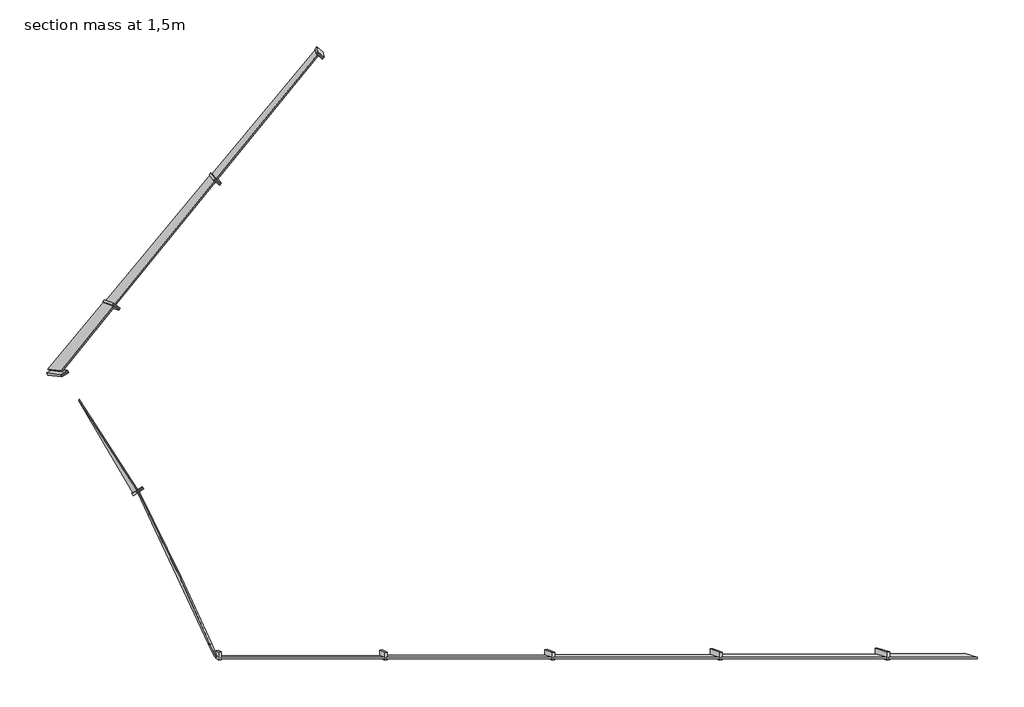
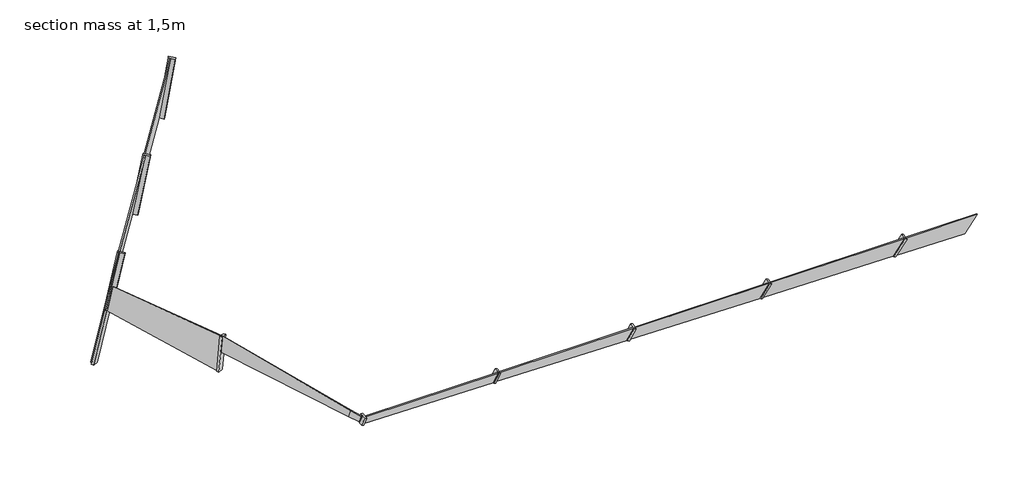
# One storey: 11 plates, 10 members.
"""IFC4 building model written with IfcOpenShell, lengths in millimetres."""

import ifcopenshell
import ifcopenshell.guid

model = None  # the IFC model being written
_history = None  # IfcOwnerHistory: only IFC2X3 demands one
_inside = {}  # id of a spatial element -> (the spatial element, [elements in it])
_under = {}  # id of a project, library or spatial element -> (it, [spatial elements below it])
_declared = {}  # id of a project -> (the project, [libraries it declares])
_typed = {}  # id of a type object -> (the type object, [elements of that type])
_made_of = {}  # id of a material, layer set ... -> (it, [elements and type objects made of it])


def new_model(schema):
    """Start an empty IFC model of exactly this schema.

    Asked for "IFC4X3", IfcOpenShell would pick the latest addendum, in which some entities
    have other attributes; the version numbers below select the first issue.
    IFC2X3 requires an IfcOwnerHistory on every rooted entity: one is made here for all.
    """
    global model, _history
    if schema == "IFC4X3":
        model = ifcopenshell.file(schema_version=(4, 3, 0, 0))
    else:
        model = ifcopenshell.file(schema=schema)
    _inside.clear()
    _under.clear()
    _declared.clear()
    _typed.clear()
    _made_of.clear()
    _history = None
    if model.schema == "IFC2X3":
        org = make("IfcOrganization", Name="unknown")
        user = make(
            "IfcPersonAndOrganization",
            ThePerson=make("IfcPerson", FamilyName="unknown"),
            TheOrganization=org,
        )
        app = make(
            "IfcApplication",
            ApplicationDeveloper=org,
            Version="unknown",
            ApplicationFullName="unknown",
            ApplicationIdentifier="unknown",
        )
        _history = make(
            "IfcOwnerHistory",
            OwningUser=user,
            OwningApplication=app,
            ChangeAction="ADDED",
            CreationDate=0,
        )
    return model


def make(cls, **values):
    """One entity of the class cls with the attributes given. An attribute that is None is left unset."""
    return model.create_entity(
        cls, **{name: value for name, value in values.items() if value is not None}
    )


def rooted(cls, **values):
    """An entity with a GlobalId (a new one), such as an element, a storey or a relation."""
    return make(cls, GlobalId=ifcopenshell.guid.new(), OwnerHistory=_history, **values)


def si_unit(unit_type, name, prefix=None):
    """IfcSIUnit, for example si_unit("LENGTHUNIT", "METRE", prefix="MILLI")."""
    return make("IfcSIUnit", UnitType=unit_type, Prefix=prefix, Name=name)


def assignment(units):
    """IfcUnitAssignment: the units of a project."""
    return None if units is None else make("IfcUnitAssignment", Units=units)


def point(xyz):
    """IfcCartesianPoint."""
    return None if xyz is None else make("IfcCartesianPoint", Coordinates=xyz)


def direction(xyz):
    """IfcDirection."""
    return None if xyz is None else make("IfcDirection", DirectionRatios=xyz)


def frame(location, z_axis=None, x_axis=None):
    """IfcAxis2Placement3D, a coordinate frame: its origin and axes. An axis left out is left unset."""
    return make(
        "IfcAxis2Placement3D",
        Location=point(location),
        Axis=direction(z_axis),
        RefDirection=direction(x_axis),
    )


def origin():
    """The frame at (0, 0, 0) with its axes left unset."""
    return frame((0.0, 0.0, 0.0))


def place(relative_to, where):
    """IfcLocalPlacement: puts the frame where relative to a parent placement (None: the world)."""
    return make(
        "IfcLocalPlacement", PlacementRelTo=relative_to, RelativePlacement=where
    )


def context(
    kind, dimensions, precision=None, world=None, true_north=None, identifier=None
):
    """IfcGeometricRepresentationContext, for example the 3D "Model" context."""
    return make(
        "IfcGeometricRepresentationContext",
        ContextIdentifier=identifier,
        ContextType=kind,
        CoordinateSpaceDimension=dimensions,
        Precision=precision,
        WorldCoordinateSystem=world,
        TrueNorth=true_north,
    )


def project(units=None, contexts=None):
    """IfcProject with its units and contexts."""
    return rooted(
        "IfcProject",
        Name="project",
        RepresentationContexts=contexts,
        UnitsInContext=assignment(units),
    )


def spatial(cls, under=None, at=None, **own):
    """A site, building, storey or space (cls), placed at a placement, below another one or the project."""
    s = rooted(cls, ObjectPlacement=at, **own)
    if under is not None:
        _under.setdefault(under.id(), (under, []))[1].append(s)
    return s


def polyline(points):
    """IfcPolyline through the points."""
    return make("IfcPolyline", Points=[point(p) for p in points])


def outline(outer, holes=None, kind="AREA"):
    """IfcArbitraryClosedProfileDef: a profile drawn as a closed curve; with holes, ...WithVoids."""
    if holes is None:
        return make("IfcArbitraryClosedProfileDef", ProfileType=kind, OuterCurve=outer)
    return make(
        "IfcArbitraryProfileDefWithVoids",
        ProfileType=kind,
        OuterCurve=outer,
        InnerCurves=holes,
    )


def extrude(swept, where, along, depth):
    """IfcExtrudedAreaSolid: the profile swept, set in the frame where, extruded along a direction by depth."""
    return make(
        "IfcExtrudedAreaSolid",
        SweptArea=swept,
        Position=where,
        ExtrudedDirection=direction(along),
        Depth=depth,
    )


def shape(context_of_items, identifier, shape_type, items):
    """IfcShapeRepresentation: the items that make up one representation, for example the "Body"."""
    return make(
        "IfcShapeRepresentation",
        ContextOfItems=context_of_items,
        RepresentationIdentifier=identifier,
        RepresentationType=shape_type,
        Items=items,
    )


def source(mapping_origin, context_of_items, identifier, shape_type, items):
    """IfcRepresentationMap: a shape defined once, which mapped items show again and again."""
    return make(
        "IfcRepresentationMap",
        MappingOrigin=mapping_origin,
        MappedRepresentation=shape(context_of_items, identifier, shape_type, items),
    )


def transform(
    local_origin,
    x_axis=None,
    y_axis=None,
    z_axis=None,
    scale=None,
    scale2=None,
    scale3=None,
    uniform=True,
):
    """IfcCartesianTransformationOperator3D, or its non-uniform kind. x_axis, y_axis, z_axis: its Axis1, 2, 3."""
    if uniform:
        return make(
            "IfcCartesianTransformationOperator3D",
            Axis1=direction(x_axis),
            Axis2=direction(y_axis),
            LocalOrigin=point(local_origin),
            Scale=scale,
            Axis3=direction(z_axis),
        )
    return make(
        "IfcCartesianTransformationOperator3DnonUniform",
        Axis1=direction(x_axis),
        Axis2=direction(y_axis),
        LocalOrigin=point(local_origin),
        Scale=scale,
        Axis3=direction(z_axis),
        Scale2=scale2,
        Scale3=scale3,
    )


def mapped(mapping_source, mapping_target):
    """IfcMappedItem: shows the shape of a source again, moved by a transform."""
    return make(
        "IfcMappedItem", MappingSource=mapping_source, MappingTarget=mapping_target
    )


def made_of(thing, what):
    """Note that an element or type object is made of a material, layer set ...; save() writes the relation."""
    if what is not None:
        _made_of.setdefault(what.id(), (what, []))[1].append(thing)
    return thing


def element(
    cls,
    number,
    at=None,
    inside=None,
    cuts=None,
    type_object=None,
    material=None,
    context=None,
    identifier="Body",
    shape_type=None,
    held_by="IfcProductDefinitionShape",
    body=None,
    shapes=None,
    **own,
):
    """One element of the class cls, such as IfcWall. Its Tag is "e" and its number.

    at: its placement. inside: the storey or other place that contains it. cuts: it is an
    opening in that element (IfcRelVoidsElement). A single representation is given by context,
    identifier, shape_type and body (its items); several are given by shapes. held_by: the class
    of the entity that holds the representations. save() writes the other relations.
    """
    e = rooted(cls, Tag="e%d" % number, ObjectPlacement=at, **own)
    if body is not None:
        shapes = [shape(context, identifier, shape_type, body)]
    if shapes is not None:
        e.Representation = make(held_by, Representations=shapes)
    if inside is not None:
        _inside.setdefault(inside.id(), (inside, []))[1].append(e)
    if cuts is not None:
        rooted(
            "IfcRelVoidsElement", RelatingBuildingElement=cuts, RelatedOpeningElement=e
        )
    if type_object is not None:
        _typed.setdefault(type_object.id(), (type_object, []))[1].append(e)
    return made_of(e, material)


def aggregate(whole, parts):
    """IfcRelAggregates: a whole, such as a stair, and the parts it consists of."""
    return rooted("IfcRelAggregates", RelatingObject=whole, RelatedObjects=parts)


def save(model, path):
    """Write the relations noted so far, then the file.

    IfcRelAggregates (storeys below a building ...), IfcRelContainedInSpatialStructure (elements
    in a storey), IfcRelDefinesByType, IfcRelAssociatesMaterial and IfcRelDeclares: one each for
    every whole, place, type object, material and project.
    """
    for whole, parts in _under.values():
        aggregate(whole, parts)
    for where, things in _inside.values():
        rooted(
            "IfcRelContainedInSpatialStructure",
            RelatedElements=things,
            RelatingStructure=where,
        )
    for kind, things in _typed.values():
        rooted("IfcRelDefinesByType", RelatedObjects=things, RelatingType=kind)
    for what, things in _made_of.values():
        rooted("IfcRelAssociatesMaterial", RelatedObjects=things, RelatingMaterial=what)
    for by, libraries in _declared.values():
        rooted("IfcRelDeclares", RelatingContext=by, RelatedDefinitions=libraries)
    model.write(path)


def rectangular_mullion_50_x_150mm_e0a31b84(model_context):
    return source(origin(), model_context, "Body", "SweptSolid", [
        extrude(outline(polyline([(25.0, 75.0), (25.0, -75.0), (-25.0, -75.0), (-25.0, 75.0), (25.0, 75.0)])), frame((0.0, 0.0, -460.5603868), z_axis=(0.0, 0.0, 1.0), x_axis=(1.0, 0.0, 0.0)), (0.0, 0.0, 1.0), 460.5603868),
    ])


def rectangular_mullion_50_x_150mm_5a5170fc(model_context):
    return source(origin(), model_context, "Body", "SweptSolid", [
        extrude(outline(polyline([(25.0, 75.0), (25.0, -75.0), (-25.0, -75.0), (-25.0, 75.0), (25.0, 75.0)])), frame((0.0, 0.0, -389.3512381), z_axis=(0.0, 0.0, 1.0), x_axis=(1.0, 0.0, 0.0)), (0.0, 0.0, 1.0), 389.3512381),
    ])


def rectangular_mullion_50_x_150mm_3219cbf1(model_context):
    return source(origin(), model_context, "Body", "SweptSolid", [
        extrude(outline(polyline([(25.0, 75.0), (25.0, -75.0), (-25.0, -75.0), (-25.0, 75.0), (25.0, 75.0)])), frame((0.0, 0.0, -318.4916966), z_axis=(0.0, 0.0, 1.0), x_axis=(1.0, 0.0, 0.0)), (0.0, 0.0, 1.0), 318.4916966),
    ])


def rectangular_mullion_50_x_150mm_0021bd19(model_context):
    return source(origin(), model_context, "Body", "SweptSolid", [
        extrude(outline(polyline([(25.0, 75.0), (25.0, -75.0), (-25.0, -75.0), (-25.0, 75.0), (25.0, 75.0)])), frame((0.0, 0.0, -248.281277), z_axis=(0.0, 0.0, 1.0), x_axis=(1.0, 0.0, 0.0)), (0.0, 0.0, 1.0), 248.281277),
    ])


def rectangular_mullion_50_x_150mm_e1594e27(model_context):
    return source(origin(), model_context, "Body", "SweptSolid", [
        extrude(outline(polyline([(0.0, 75.0), (0.0, -75.0), (-50.0, -75.0), (-50.0, 75.0), (0.0, 75.0)])), frame((0.0, 0.0, -179.4833746), z_axis=(0.0, 0.0, 1.0), x_axis=(1.0, 0.0, 0.0)), (0.0, 0.0, 1.0), 179.4833746),
    ])


def rectangular_mullion_50_x_150mm_764d5396(model_context):
    return source(origin(), model_context, "Body", "SweptSolid", [
        extrude(outline(polyline([(0.0, 75.0), (0.0, -75.0), (-50.0, -75.0), (-50.0, 75.0), (0.0, 75.0)])), frame((0.0, 0.0, -1652.5538813), z_axis=(0.0, 0.0, 1.0), x_axis=(1.0, 0.0, 0.0)), (0.0, 0.0, 1.0), 1652.5538813),
    ])


def rectangular_mullion_50_x_150mm_81a47da3(model_context):
    return source(origin(), model_context, "Body", "SweptSolid", [
        extrude(outline(polyline([(25.0, 75.0), (25.0, -75.0), (-25.0, -75.0), (-25.0, 75.0), (25.0, 75.0)])), frame((0.0, 0.0, -1530.2634492), z_axis=(0.0, 0.0, 1.0), x_axis=(1.0, 0.0, 0.0)), (0.0, 0.0, 1.0), 1530.2634492),
    ])


def rectangular_mullion_50_x_150mm_c0f0cbb4(model_context):
    return source(origin(), model_context, "Body", "SweptSolid", [
        extrude(outline(polyline([(25.0, 75.0), (25.0, -75.0), (-25.0, -75.0), (-25.0, 75.0), (25.0, 75.0)])), frame((0.0, 0.0, -1422.0666837), z_axis=(0.0, 0.0, 1.0), x_axis=(1.0, 0.0, 0.0)), (0.0, 0.0, 1.0), 1422.0666837),
    ])


def rectangular_mullion_50_x_150mm_da38e487(model_context):
    return source(origin(), model_context, "Body", "SweptSolid", [
        extrude(outline(polyline([(0.0, 75.0), (0.0, -75.0), (-50.0, -75.0), (-50.0, 75.0), (0.0, 75.0)])), frame((0.0, 0.0, -1257.5362651), z_axis=(0.0, 0.0, 1.0), x_axis=(1.0, 0.0, 0.0)), (0.0, 0.0, 1.0), 1257.5362651),
    ])


def rectangular_mullion_50_x_150mm_55dc3eab(model_context):
    return source(origin(), model_context, "Body", "SweptSolid", [
        extrude(outline(polyline([(0.0, 75.0), (0.0, -75.0), (-50.0, -75.0), (-50.0, 75.0), (0.0, 75.0)])), frame((0.0, 0.0, -781.4398953), z_axis=(0.0, 0.0, 1.0), x_axis=(1.0, 0.0, 0.0)), (0.0, 0.0, 1.0), 781.4398953),
    ])


def system_panel_glazed_aa186428(model_context):
    return source(origin(), model_context, "Body", "SweptSolid", [
        extrude(outline(polyline([(0.0, -918.5798607), (0.0, 680.3831478), (437.7802318, 918.5798607), (406.8023342, -730.9490048), (395.08104, -708.8670832), (0.0, -918.5798607)])), frame((0.0, -49.5, 0.0), z_axis=(0.0, 1.0, 0.0), x_axis=(0.0, 0.0, 1.0)), (0.0, 0.0, 1.0), 25.0),
    ])


def system_panel_glazed_c910f888(model_context):
    return source(origin(), model_context, "Body", "SweptSolid", [
        extrude(outline(polyline([(0.0, -1615.0686269), (0.0, 1427.7227579), (11.7212942, 1405.6408363), (406.2654432, 1615.0686269), (348.3454807, -1469.0867884), (337.1778821, -1446.7197425), (0.0, -1615.0686269)])), frame((0.0, -49.5, 0.0), z_axis=(0.0, 1.0, 0.0), x_axis=(0.0, 0.0, 1.0)), (0.0, 0.0, 1.0), 25.0),
    ])


def system_panel_glazed_bd3d51f9(model_context):
    return source(origin(), model_context, "Body", "SweptSolid", [
        extrude(outline(polyline([(0.0, -1594.4924502), (0.0, 1448.7750997), (11.1675985, 1426.4080538), (347.8157504, 1594.4924502), (289.8886275, -1490.0442658), (279.5339687, -1467.2894632), (0.0, -1594.4924502)])), frame((0.0, -49.5, 0.0), z_axis=(0.0, 1.0, 0.0), x_axis=(0.0, 0.0, 1.0)), (0.0, 0.0, 1.0), 25.0),
    ])


def system_panel_glazed_864dcb4c(model_context):
    return source(origin(), model_context, "Body", "SweptSolid", [
        extrude(outline(polyline([(0.0, -1574.0627885), (0.0, 1469.8513536), (10.3546588, 1447.0965509), (289.3683604, 1574.0627885), (231.431775, -1510.9778313), (222.379029, -1487.6744455), (0.0, -1574.0627885)])), frame((0.0, -49.5, 0.0), z_axis=(0.0, 1.0, 0.0), x_axis=(0.0, 0.0, 1.0)), (0.0, 0.0, 1.0), 25.0),
    ])


def system_panel_glazed_c20a594d(model_context):
    return source(origin(), model_context, "Body", "SweptSolid", [
        extrude(outline(polyline([(0.0, -1540.8704025), (0.0, 1451.1624117), (230.9243953, 1540.8704025), (173.9543401, -1492.7039356), (0.0, -1540.8704025)])), frame((0.0, -49.5, 0.0), z_axis=(0.0, 1.0, 0.0), x_axis=(0.0, 0.0, 1.0)), (0.0, 0.0, 1.0), 25.0),
    ])


def system_panel_glazed_bede5eed(model_context):
    return source(origin(), model_context, "Body", "SweptSolid", [
        extrude(outline(polyline([(0.0, -1544.5511222), (0.0, 1568.5434903), (148.8739156, 1586.5892458), (345.723592, -1586.5892458), (0.0, -1544.5511222)])), frame((0.0, -49.5, 0.0), z_axis=(0.0, 1.0, 0.0), x_axis=(0.0, 0.0, 1.0)), (0.0, 0.0, 1.0), 25.0),
    ])


def system_panel_glazed_b87d3c3a(model_context):
    return source(origin(), model_context, "Body", "SweptSolid", [
        extrude(outline(polyline([(0.0, -140.5556728), (0.0, 117.5293695), (132.5648208, 140.5556728), (148.8806882, -122.5107302), (0.0, -140.5556728)])), frame((0.0, -49.5, 0.0), z_axis=(0.0, 1.0, 0.0), x_axis=(0.0, 0.0, 1.0)), (0.0, 0.0, 1.0), 25.0),
    ])


def system_panel_glazed_8efa2285(model_context):
    return source(origin(), model_context, "Body", "SweptSolid", [
        extrude(outline(polyline([(0.0, -1508.403792), (0.0, 1508.403792), (1530.1203012, 1449.495004), (1648.459057, -1427.1966591), (0.0, -1508.403792)])), frame((0.0, -49.5, 0.0), z_axis=(0.0, 1.0, 0.0), x_axis=(0.0, 0.0, 1.0)), (0.0, 0.0, 1.0), 25.0),
    ])


def system_panel_glazed_14e94f60(model_context):
    return source(origin(), model_context, "Body", "SweptSolid", [
        extrude(outline(polyline([(0.0, -1516.367357), (0.0, 1550.2670249), (1404.5036363, 1351.6409591), (1408.0043237, 1376.3946495), (1528.0509442, -1550.2670249), (0.9632286, -1491.38592), (0.0, -1516.367357)])), frame((0.0, -49.5, 0.0), z_axis=(0.0, 1.0, 0.0), x_axis=(0.0, 0.0, 1.0)), (0.0, 0.0, 1.0), 25.0),
    ])


def system_panel_glazed_334cd4f1(model_context):
    return source(origin(), model_context, "Body", "SweptSolid", [
        extrude(outline(polyline([(0.0, -734.8350482), (0.0, 908.6375753), (1343.8505235, 634.9432909), (1406.9902226, -908.6375753), (3.5019594, -710.0815378), (0.0, -734.8350482)])), frame((0.0, -49.5, 0.0), z_axis=(0.0, 1.0, 0.0), x_axis=(0.0, 0.0, 1.0)), (0.0, 0.0, 1.0), 25.0),
    ])


def system_panel_glazed_6d05cce4(model_context):
    return source(origin(), model_context, "Body", "SweptSolid", [
        extrude(outline(polyline([(0.0, -1313.3089999), (0.0, 1313.3089999), (750.7568172, 1142.0833337), (761.8748604, 1190.8315554), (563.6121782, -1310.6432306), (4.2000203, -1263.4857139), (0.0, -1313.3089999)])), frame((0.0, -49.5, 0.0), z_axis=(0.0, 1.0, 0.0), x_axis=(0.0, 0.0, 1.0)), (0.0, 0.0, 1.0), 25.0),
    ])


model = new_model("IFC4")

# Units and contexts
model_context = context("Model", 3, world=origin())
ifc_project = project(units=[si_unit("LENGTHUNIT", "METRE", prefix="MILLI")], contexts=[model_context])

# Site, building, storey
site = spatial("IfcSite", under=ifc_project)
building = spatial("IfcBuilding", under=site)
storey = spatial("IfcBuildingStorey", under=building, Name="section mass at 1,5m", Elevation=1500.0)

# Members
placement = place(None, origin())
rectangular_mullion_50_x_150mm_shape = rectangular_mullion_50_x_150mm_e0a31b84(model_context)
element("IfcMember", 1, ObjectType="Rectangular Mullion : 50 x 150mm", at=placement, inside=storey, context=model_context, shape_type="MappedRepresentation", body=[
    mapped(rectangular_mullion_50_x_150mm_shape, transform((-73463.0257783, 12496.4454475, 2027.8638722), x_axis=(0.8743177355858609, 0.08429888285619125, -0.477977191494752), y_axis=(3.2397699190611644e-06, -0.9848022096376445, -0.17367961274230412), z_axis=(-0.48535399166949944, 0.15184961719415352, -0.8610303110393225))),
])
rectangular_mullion_50_x_150mm_2_shape = rectangular_mullion_50_x_150mm_5a5170fc(model_context)
element("IfcMember", 2, ObjectType="Rectangular Mullion : 50 x 150mm", at=placement, inside=storey, context=model_context, shape_type="MappedRepresentation", body=[
    mapped(rectangular_mullion_50_x_150mm_2_shape, transform((-76533.2187033, 12486.4216764, 2084.6436235), x_axis=(0.8861365566879734, 0.08047742764639786, -0.45638293848543576), y_axis=(3.783444993882279e-06, -0.9848072372344251, -0.17365110272147524), z_axis=(-0.4634242148257552, 0.15387686353093372, -0.8726739986862302))),
])
rectangular_mullion_50_x_150mm_3_shape = rectangular_mullion_50_x_150mm_3219cbf1(model_context)
element("IfcMember", 3, ObjectType="Rectangular Mullion : 50 x 150mm", at=placement, inside=storey, context=model_context, shape_type="MappedRepresentation", body=[
    mapped(rectangular_mullion_50_x_150mm_3_shape, transform((-79603.4116282, 12476.3979053, 2141.4233748), x_axis=(0.9022546580838919, 0.07486576597143273, -0.4246547409972365), y_axis=(4.546387267906349e-06, -0.9848142910968471, -0.17361109420410034), z_axis=(-0.43120358526483715, 0.15663948779578318, -0.8885536218584814))),
])
rectangular_mullion_50_x_150mm_4_shape = rectangular_mullion_50_x_150mm_0021bd19(model_context)
element("IfcMember", 4, ObjectType="Rectangular Mullion : 50 x 150mm", at=placement, inside=storey, context=model_context, shape_type="MappedRepresentation", body=[
    mapped(rectangular_mullion_50_x_150mm_4_shape, transform((-82673.6045532, 12466.3741342, 2198.2031261), x_axis=(0.9251719325698037, 0.06587612393374116, -0.3737876823552659), y_axis=(5.69474941386483e-06, -0.9848249053335438, -0.17355087381614145), z_axis=(-0.3795482777626907, 0.16056226870047272, -0.9111327360583268))),
])
rectangular_mullion_50_x_150mm_5_shape = rectangular_mullion_50_x_150mm_e1594e27(model_context)
element("IfcMember", 5, ObjectType="Rectangular Mullion : 50 x 150mm", at=placement, inside=storey, context=model_context, shape_type="MappedRepresentation", body=[
    mapped(rectangular_mullion_50_x_150mm_5_shape, transform((-85692.6627774, 12426.5095291, 2424.4203253), x_axis=(-0.95855743039659, -0.04943497004931339, 0.28057768330305616), y_axis=(1.9294773308385634e-05, -0.9848420834119909, -0.17345336655262955), z_axis=(0.28489937216357347, -0.16625959965353168, 0.9440286506583628))),
])
rectangular_mullion_50_x_150mm_6_shape = rectangular_mullion_50_x_150mm_764d5396(model_context)
element("IfcMember", 6, ObjectType="Rectangular Mullion : 50 x 150mm", at=placement, inside=storey, context=model_context, shape_type="MappedRepresentation", body=[
    mapped(rectangular_mullion_50_x_150mm_6_shape, transform((-83746.097897, 23383.8322798, 3819.4510389), x_axis=(0.6410592257144968, 0.7571515476449628, 0.12555717034549363), y_axis=(-0.7665110948540501, 0.6233489794894301, 0.1545858701018024), z_axis=(0.03877899678917888, -0.19533966230216404, 0.9799686758971948))),
])
rectangular_mullion_50_x_150mm_7_shape = rectangular_mullion_50_x_150mm_81a47da3(model_context)
element("IfcMember", 7, ObjectType="Rectangular Mullion : 50 x 150mm", at=placement, inside=storey, context=model_context, shape_type="MappedRepresentation", body=[
    mapped(rectangular_mullion_50_x_150mm_7_shape, transform((-85791.7742088, 21345.072295, 1962.9905673), x_axis=(-0.6373041068269513, -0.7696366308751527, -0.038767664833544595), y_axis=(-0.7633447986230704, 0.6236014962477324, 0.16859979920715742), z_axis=(-0.10558500763179485, 0.13704243975036953, -0.984921913590443))),
])
rectangular_mullion_50_x_150mm_8_shape = rectangular_mullion_50_x_150mm_c0f0cbb4(model_context)
element("IfcMember", 8, ObjectType="Rectangular Mullion : 50 x 150mm", at=placement, inside=storey, context=model_context, shape_type="MappedRepresentation", body=[
    mapped(rectangular_mullion_50_x_150mm_8_shape, transform((-87773.366139, 18983.5029932, 1725.9811345), x_axis=(-0.6215079227773332, -0.7810033838738057, 0.06133201694603769), y_axis=(-0.7619324771672741, 0.6208205097343099, 0.18450147677179468), z_axis=(-0.18217245171195848, 0.06793827397642879, -0.9809167083735284))),
])
rectangular_mullion_50_x_150mm_9_shape = rectangular_mullion_50_x_150mm_da38e487(model_context)
element("IfcMember", 9, ObjectType="Rectangular Mullion : 50 x 150mm", at=placement, inside=storey, context=model_context, shape_type="MappedRepresentation", body=[
    mapped(rectangular_mullion_50_x_150mm_9_shape, transform((-88541.6133653, 17694.7586511, 2824.3446028), x_axis=(-0.5169256774036336, 0.8439304461385561, 0.14341982471461936), y_axis=(-0.8254721381487605, -0.5357921715969133, 0.1775457631022983), z_axis=(0.2266794943988276, -0.02661110549829669, 0.9736058010731297))),
])
rectangular_mullion_50_x_150mm_10_shape = rectangular_mullion_50_x_150mm_55dc3eab(model_context)
element("IfcMember", 10, ObjectType="Rectangular Mullion : 50 x 150mm", at=placement, inside=storey, context=model_context, shape_type="MappedRepresentation", body=[
    mapped(rectangular_mullion_50_x_150mm_10_shape, transform((-87215.2466853, 15447.4532585, 2223.0704554), x_axis=(0.5418710596659416, -0.8404425150244274, -0.005668653801815345), y_axis=(-0.8271677774110374, -0.5344828454139193, 0.17355562788663725), z_axis=(-0.14889332661134974, -0.08935584422775975, -0.9848077530122061))),
])

# Plates
system_panel_glazed_shape = system_panel_glazed_aa186428(model_context)
element("IfcPlate", 11, ObjectType="System Panel : Glazed", at=placement, inside=storey, context=model_context, shape_type="MappedRepresentation", body=[
    mapped(system_panel_glazed_shape, transform((-72516.309152, 12499.536144, 2010.3553807), x_axis=(0.9998237053279636, 0.0032627358997244756, -0.018490884746546244), y_axis=(-1.5577872265310454e-06, 0.9848012632880937, 0.17368497869346144), z_axis=(0.018776534872939322, -0.17365433015224097, 0.9846276531550096))),
])
system_panel_glazed_2_shape = system_panel_glazed_c910f888(model_context)
element("IfcPlate", 12, ObjectType="System Panel : Glazed", at=placement, inside=storey, context=model_context, shape_type="MappedRepresentation", body=[
    mapped(system_panel_glazed_2_shape, transform((-74890.4968363, 12491.7847573, 2054.2633045), x_axis=(0.999823705328892, 0.003262552039686849, -0.018490917137707424), y_axis=(-1.7419266122834128e-06, 0.9848046930208868, 0.17366553083730452), z_axis=(0.018776534807331158, -0.1736348823198421, 0.984631082884551))),
])
system_panel_glazed_3_shape = system_panel_glazed_bd3d51f9(model_context)
element("IfcPlate", 13, ObjectType="System Panel : Glazed", at=placement, inside=storey, context=model_context, shape_type="MappedRepresentation", body=[
    mapped(system_panel_glazed_3_shape, transform((-77981.7383917, 12481.6922743, 2111.4323281), x_axis=(0.9998237053307413, 0.003262234153728328, -0.01849097312294616), y_axis=(-2.0602925289519253e-06, 0.9848106219164084, 0.17363190650445515), z_axis=(0.018776534676624, -0.17360125802811138, 0.9846370117746919))),
])
system_panel_glazed_4_shape = system_panel_glazed_864dcb4c(model_context)
element("IfcPlate", 14, ObjectType="System Panel : Glazed", at=placement, inside=storey, context=model_context, shape_type="MappedRepresentation", body=[
    mapped(system_panel_glazed_4_shape, transform((-81073.0038548, 12471.5997174, 2168.6017945), x_axis=(0.9998237053339661, 0.003261774076612259, -0.018491054110886324), y_axis=(-2.521057505983602e-06, 0.9848192006616833, 0.1735832422837165), z_axis=(0.018776534448690336, -0.17355259386697827, 0.9846455905127189))),
])
system_panel_glazed_5_shape = system_panel_glazed_c20a594d(model_context)
element("IfcPlate", 15, ObjectType="System Panel : Glazed", at=placement, inside=storey, context=model_context, shape_type="MappedRepresentation", body=[
    mapped(system_panel_glazed_5_shape, transform((-84151.3265415, 12461.5493826, 2225.5318928), x_axis=(0.9998237053403659, 0.0032610489207125044, -0.018491181665809167), y_axis=(-3.247281306263499e-06, 0.9848327169656129, 0.1735065404634198), z_axis=(0.018776533996358362, -0.1734758921408559, 0.984659106806522))),
])
system_panel_glazed_6_shape = system_panel_glazed_bede5eed(model_context)
element("IfcPlate", 16, ObjectType="System Panel : Glazed", at=placement, inside=storey, context=model_context, shape_type="MappedRepresentation", body=[
    mapped(system_panel_glazed_6_shape, transform((-86500.276081, 14094.5866005, 2488.2671256), x_axis=(0.42154913822489004, -0.9007558911007882, -0.10457126139182593), y_axis=(0.8833552927069755, 0.43396392186091937, -0.17708399523859752), z_axis=(0.20488960663837077, -0.01772397162926273, 0.9786246011220334))),
])
system_panel_glazed_7_shape = system_panel_glazed_b87d3c3a(model_context)
element("IfcPlate", 17, ObjectType="System Panel : Glazed", at=placement, inside=storey, context=model_context, shape_type="MappedRepresentation", body=[
    mapped(system_panel_glazed_7_shape, transform((-85780.4847637, 12554.772382, 2309.6802767), x_axis=(0.4218491489831598, -0.9006074080407906, -0.10464029856719942), y_axis=(0.880922471312808, 0.43443932054793416, -0.18771807664150117), z_axis=(0.21452015065797195, -0.012991279532754557, 0.9766331612318839))),
])
system_panel_glazed_8_shape = system_panel_glazed_8efa2285(model_context)
element("IfcPlate", 18, ObjectType="System Panel : Glazed", at=placement, inside=storey, context=model_context, shape_type="MappedRepresentation", body=[
    mapped(system_panel_glazed_8_shape, transform((-84808.9681625, 22516.2651425, 2080.5281486), x_axis=(-0.6381185970213263, -0.7660538701980667, -0.07724068934245495), y_axis=(0.766229985061859, -0.6220076612063142, -0.16123919930573496), z_axis=(0.07547361212793181, -0.16207386388685457, 0.9838881016239336))),
])
system_panel_glazed_9_shape = system_panel_glazed_14e94f60(model_context)
element("IfcPlate", 19, ObjectType="System Panel : Glazed", at=placement, inside=storey, context=model_context, shape_type="MappedRepresentation", body=[
    mapped(system_panel_glazed_9_shape, transform((-86763.7051368, 20186.9484392, 1846.7734014), x_axis=(-0.6378880246284573, -0.7662349009731283, -0.07734949622528194), y_axis=(0.7651805381482194, -0.6192167613787576, -0.1762649893393585), z_axis=(0.08716428210457536, -0.17162365500799437, 0.9812989906072924))),
])
system_panel_glazed_10_shape = system_panel_glazed_334cd4f1(model_context)
element("IfcPlate", 20, ObjectType="System Panel : Glazed", at=placement, inside=storey, context=model_context, shape_type="MappedRepresentation", body=[
    mapped(system_panel_glazed_10_shape, transform((-88244.6029538, 18422.4635817, 1669.7213801), x_axis=(-0.6376850978924282, -0.7663932808253873, -0.0774535669393183), y_axis=(0.7640981505299763, -0.616616730222375, -0.18957274162319998), z_axis=(0.09752811021748538, -0.1800698395500091, 0.9788069884312434))),
])
system_panel_glazed_11_shape = system_panel_glazed_6d05cce4(model_context)
element("IfcPlate", 21, ObjectType="System Panel : Glazed", at=placement, inside=storey, context=model_context, shape_type="MappedRepresentation", body=[
    mapped(system_panel_glazed_11_shape, transform((-87891.1193243, 16592.6320108, 2529.4625938), x_axis=(0.4948646074783231, -0.8394855596880084, -0.22443933554668294), y_axis=(0.8268973379921096, 0.5343204835366665, -0.17533514563459837), z_axis=(0.26711385715999103, -0.09882113108264985, 0.9585846709418306))),
])

save(model, "model.ifc")
